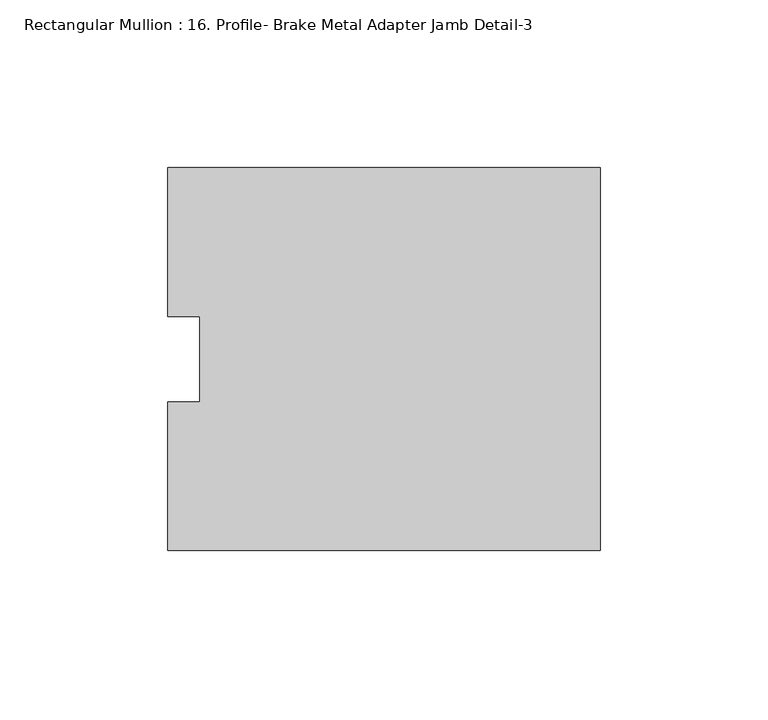
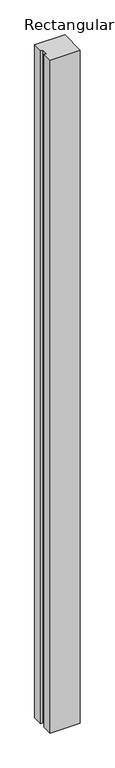
"""IFC4 building model written with IfcOpenShell, lengths in millimetres: member geometry, Rectangular Mullion : 16. Profile- Brake Metal Adapter Jamb Detail-3."""

from ifc_helpers import new_model, si_unit, frame, origin, place, context, project, spatial, polyline, outline, extrude, source, transform, mapped, element, save


def rectangular_mullion_16_profile_brake_metal_adapter_jamb_614ca1d2(model_context):
    return source(origin(), model_context, "Body", "SweptSolid", [
        extrude(outline(polyline([(-129.044192, -57.150127), (-129.044192, -12.7551296), (-119.519192, -12.7551296), (-119.519192, 12.7325687), (-129.044192, 12.7325687), (-129.044192, 57.1499365), (0.0, 57.1499365), (0.0, -57.150127), (-129.044192, -57.150127)])), frame((0.0, 0.0, -3048.0), z_axis=(0.0, 0.0, 1.0), x_axis=(1.0, 0.0, 0.0)), (0.0, 0.0, 1.0), 3048.0),
    ])


if __name__ == "__main__":
    model = new_model("IFC4")
    model_context = context("Model", 3, world=origin())
    ifc_project = project(units=[si_unit("LENGTHUNIT", "METRE", prefix="MILLI")], contexts=[model_context])
    site = spatial("IfcSite", under=ifc_project)
    building = spatial("IfcBuilding", under=site)
    placement = place(None, origin())
    rectangular_mullion_16_profile_brake_metal_adapter_jamb_shape = rectangular_mullion_16_profile_brake_metal_adapter_jamb_614ca1d2(model_context)
    element("IfcMember", 1, ObjectType="Rectangular Mullion : 16. Profile- Brake Metal Adapter Jamb Detail-3", at=placement, inside=building, context=model_context, shape_type="MappedRepresentation", body=[
        mapped(rectangular_mullion_16_profile_brake_metal_adapter_jamb_shape, transform((0.0, 0.0, 0.0), x_axis=(1.0, 0.0, 0.0), y_axis=(0.0, 1.0, 0.0), z_axis=(0.0, 0.0, 1.0))),
    ])
    save(model, "model.ifc")
